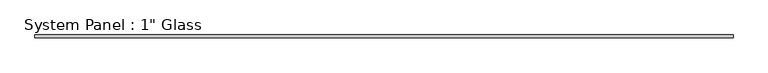
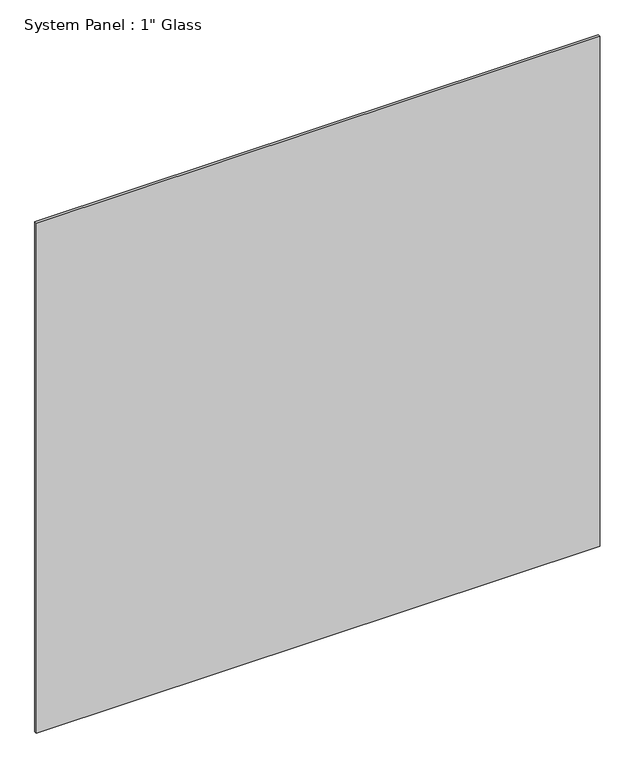
"""IFC4 building model written with IfcOpenShell, lengths in millimetres: plate geometry."""

from ifc_helpers import new_model, si_unit, origin, origin_with_axes, place, context, project, spatial, polyline, outline, extrude, source, transform, mapped, element, save


def plate_fa55e8d0(model_context):
    return source(origin(), model_context, "Body", "SweptSolid", [
        extrude(outline(polyline([(727.075, -12.7), (-727.075, -12.7), (-727.075, -6.35), (727.075, -6.35), (727.075, -12.7)])), origin_with_axes(), (0.0, 0.0, 1.0), 1390.6459335),
    ])


if __name__ == "__main__":
    model = new_model("IFC4")
    model_context = context("Model", 3, world=origin())
    ifc_project = project(units=[si_unit("LENGTHUNIT", "METRE", prefix="MILLI")], contexts=[model_context])
    site = spatial("IfcSite", under=ifc_project)
    building = spatial("IfcBuilding", under=site)
    placement = place(None, origin())
    plate_shape = plate_fa55e8d0(model_context)
    element("IfcPlate", 1, ObjectType="System Panel : 1\" Glass", at=placement, inside=building, context=model_context, shape_type="MappedRepresentation", body=[
        mapped(plate_shape, transform((0.0, 0.0, 0.0), x_axis=(1.0, 0.0, 0.0), y_axis=(0.0, 1.0, 0.0), z_axis=(0.0, 0.0, 1.0))),
    ])
    save(model, "model.ifc")
